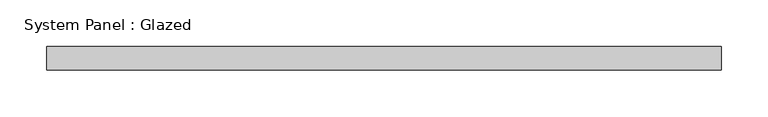
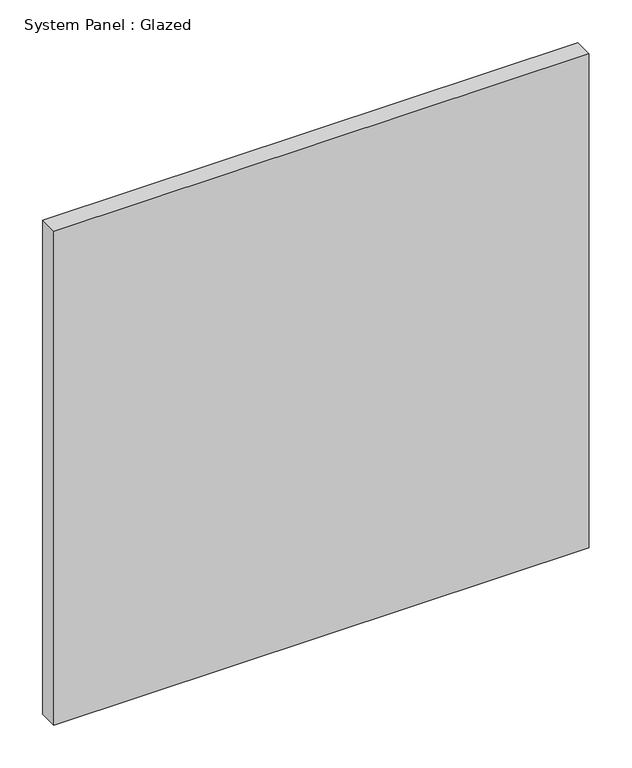
"""IFC4 building model written with IfcOpenShell, lengths in millimetres: plate geometry, System Panel : Glazed."""

import ifcopenshell
import ifcopenshell.guid

model = None  # the IFC model being written
_history = None  # IfcOwnerHistory: only IFC2X3 demands one
_inside = {}  # id of a spatial element -> (the spatial element, [elements in it])
_under = {}  # id of a project, library or spatial element -> (it, [spatial elements below it])
_declared = {}  # id of a project -> (the project, [libraries it declares])
_typed = {}  # id of a type object -> (the type object, [elements of that type])
_made_of = {}  # id of a material, layer set ... -> (it, [elements and type objects made of it])


def new_model(schema):
    """Start an empty IFC model of exactly this schema.

    Asked for "IFC4X3", IfcOpenShell would pick the latest addendum, in which some entities
    have other attributes; the version numbers below select the first issue.
    IFC2X3 requires an IfcOwnerHistory on every rooted entity: one is made here for all.
    """
    global model, _history
    if schema == "IFC4X3":
        model = ifcopenshell.file(schema_version=(4, 3, 0, 0))
    else:
        model = ifcopenshell.file(schema=schema)
    _inside.clear()
    _under.clear()
    _declared.clear()
    _typed.clear()
    _made_of.clear()
    _history = None
    if model.schema == "IFC2X3":
        org = make("IfcOrganization", Name="unknown")
        user = make(
            "IfcPersonAndOrganization",
            ThePerson=make("IfcPerson", FamilyName="unknown"),
            TheOrganization=org,
        )
        app = make(
            "IfcApplication",
            ApplicationDeveloper=org,
            Version="unknown",
            ApplicationFullName="unknown",
            ApplicationIdentifier="unknown",
        )
        _history = make(
            "IfcOwnerHistory",
            OwningUser=user,
            OwningApplication=app,
            ChangeAction="ADDED",
            CreationDate=0,
        )
    return model


def make(cls, **values):
    """One entity of the class cls with the attributes given. An attribute that is None is left unset."""
    return model.create_entity(
        cls, **{name: value for name, value in values.items() if value is not None}
    )


def rooted(cls, **values):
    """An entity with a GlobalId (a new one), such as an element, a storey or a relation."""
    return make(cls, GlobalId=ifcopenshell.guid.new(), OwnerHistory=_history, **values)


def si_unit(unit_type, name, prefix=None):
    """IfcSIUnit, for example si_unit("LENGTHUNIT", "METRE", prefix="MILLI")."""
    return make("IfcSIUnit", UnitType=unit_type, Prefix=prefix, Name=name)


def assignment(units):
    """IfcUnitAssignment: the units of a project."""
    return None if units is None else make("IfcUnitAssignment", Units=units)


def point(xyz):
    """IfcCartesianPoint."""
    return None if xyz is None else make("IfcCartesianPoint", Coordinates=xyz)


def direction(xyz):
    """IfcDirection."""
    return None if xyz is None else make("IfcDirection", DirectionRatios=xyz)


def frame(location, z_axis=None, x_axis=None):
    """IfcAxis2Placement3D, a coordinate frame: its origin and axes. An axis left out is left unset."""
    return make(
        "IfcAxis2Placement3D",
        Location=point(location),
        Axis=direction(z_axis),
        RefDirection=direction(x_axis),
    )


def origin():
    """The frame at (0, 0, 0) with its axes left unset."""
    return frame((0.0, 0.0, 0.0))


def origin_with_axes():
    """The frame at (0, 0, 0) with the z axis (0, 0, 1) and the x axis (1, 0, 0) written out."""
    return frame((0.0, 0.0, 0.0), z_axis=(0.0, 0.0, 1.0), x_axis=(1.0, 0.0, 0.0))


def place(relative_to, where):
    """IfcLocalPlacement: puts the frame where relative to a parent placement (None: the world)."""
    return make(
        "IfcLocalPlacement", PlacementRelTo=relative_to, RelativePlacement=where
    )


def context(
    kind, dimensions, precision=None, world=None, true_north=None, identifier=None
):
    """IfcGeometricRepresentationContext, for example the 3D "Model" context."""
    return make(
        "IfcGeometricRepresentationContext",
        ContextIdentifier=identifier,
        ContextType=kind,
        CoordinateSpaceDimension=dimensions,
        Precision=precision,
        WorldCoordinateSystem=world,
        TrueNorth=true_north,
    )


def project(units=None, contexts=None):
    """IfcProject with its units and contexts."""
    return rooted(
        "IfcProject",
        Name="project",
        RepresentationContexts=contexts,
        UnitsInContext=assignment(units),
    )


def spatial(cls, under=None, at=None, **own):
    """A site, building, storey or space (cls), placed at a placement, below another one or the project."""
    s = rooted(cls, ObjectPlacement=at, **own)
    if under is not None:
        _under.setdefault(under.id(), (under, []))[1].append(s)
    return s


def polyline(points):
    """IfcPolyline through the points."""
    return make("IfcPolyline", Points=[point(p) for p in points])


def outline(outer, holes=None, kind="AREA"):
    """IfcArbitraryClosedProfileDef: a profile drawn as a closed curve; with holes, ...WithVoids."""
    if holes is None:
        return make("IfcArbitraryClosedProfileDef", ProfileType=kind, OuterCurve=outer)
    return make(
        "IfcArbitraryProfileDefWithVoids",
        ProfileType=kind,
        OuterCurve=outer,
        InnerCurves=holes,
    )


def extrude(swept, where, along, depth):
    """IfcExtrudedAreaSolid: the profile swept, set in the frame where, extruded along a direction by depth."""
    return make(
        "IfcExtrudedAreaSolid",
        SweptArea=swept,
        Position=where,
        ExtrudedDirection=direction(along),
        Depth=depth,
    )


def shape(context_of_items, identifier, shape_type, items):
    """IfcShapeRepresentation: the items that make up one representation, for example the "Body"."""
    return make(
        "IfcShapeRepresentation",
        ContextOfItems=context_of_items,
        RepresentationIdentifier=identifier,
        RepresentationType=shape_type,
        Items=items,
    )


def source(mapping_origin, context_of_items, identifier, shape_type, items):
    """IfcRepresentationMap: a shape defined once, which mapped items show again and again."""
    return make(
        "IfcRepresentationMap",
        MappingOrigin=mapping_origin,
        MappedRepresentation=shape(context_of_items, identifier, shape_type, items),
    )


def transform(
    local_origin,
    x_axis=None,
    y_axis=None,
    z_axis=None,
    scale=None,
    scale2=None,
    scale3=None,
    uniform=True,
):
    """IfcCartesianTransformationOperator3D, or its non-uniform kind. x_axis, y_axis, z_axis: its Axis1, 2, 3."""
    if uniform:
        return make(
            "IfcCartesianTransformationOperator3D",
            Axis1=direction(x_axis),
            Axis2=direction(y_axis),
            LocalOrigin=point(local_origin),
            Scale=scale,
            Axis3=direction(z_axis),
        )
    return make(
        "IfcCartesianTransformationOperator3DnonUniform",
        Axis1=direction(x_axis),
        Axis2=direction(y_axis),
        LocalOrigin=point(local_origin),
        Scale=scale,
        Axis3=direction(z_axis),
        Scale2=scale2,
        Scale3=scale3,
    )


def mapped(mapping_source, mapping_target):
    """IfcMappedItem: shows the shape of a source again, moved by a transform."""
    return make(
        "IfcMappedItem", MappingSource=mapping_source, MappingTarget=mapping_target
    )


def made_of(thing, what):
    """Note that an element or type object is made of a material, layer set ...; save() writes the relation."""
    if what is not None:
        _made_of.setdefault(what.id(), (what, []))[1].append(thing)
    return thing


def element(
    cls,
    number,
    at=None,
    inside=None,
    cuts=None,
    type_object=None,
    material=None,
    context=None,
    identifier="Body",
    shape_type=None,
    held_by="IfcProductDefinitionShape",
    body=None,
    shapes=None,
    **own,
):
    """One element of the class cls, such as IfcWall. Its Tag is "e" and its number.

    at: its placement. inside: the storey or other place that contains it. cuts: it is an
    opening in that element (IfcRelVoidsElement). A single representation is given by context,
    identifier, shape_type and body (its items); several are given by shapes. held_by: the class
    of the entity that holds the representations. save() writes the other relations.
    """
    e = rooted(cls, Tag="e%d" % number, ObjectPlacement=at, **own)
    if body is not None:
        shapes = [shape(context, identifier, shape_type, body)]
    if shapes is not None:
        e.Representation = make(held_by, Representations=shapes)
    if inside is not None:
        _inside.setdefault(inside.id(), (inside, []))[1].append(e)
    if cuts is not None:
        rooted(
            "IfcRelVoidsElement", RelatingBuildingElement=cuts, RelatedOpeningElement=e
        )
    if type_object is not None:
        _typed.setdefault(type_object.id(), (type_object, []))[1].append(e)
    return made_of(e, material)


def aggregate(whole, parts):
    """IfcRelAggregates: a whole, such as a stair, and the parts it consists of."""
    return rooted("IfcRelAggregates", RelatingObject=whole, RelatedObjects=parts)


def save(model, path):
    """Write the relations noted so far, then the file.

    IfcRelAggregates (storeys below a building ...), IfcRelContainedInSpatialStructure (elements
    in a storey), IfcRelDefinesByType, IfcRelAssociatesMaterial and IfcRelDeclares: one each for
    every whole, place, type object, material and project.
    """
    for whole, parts in _under.values():
        aggregate(whole, parts)
    for where, things in _inside.values():
        rooted(
            "IfcRelContainedInSpatialStructure",
            RelatedElements=things,
            RelatingStructure=where,
        )
    for kind, things in _typed.values():
        rooted("IfcRelDefinesByType", RelatedObjects=things, RelatingType=kind)
    for what, things in _made_of.values():
        rooted("IfcRelAssociatesMaterial", RelatedObjects=things, RelatingMaterial=what)
    for by, libraries in _declared.values():
        rooted("IfcRelDeclares", RelatingContext=by, RelatedDefinitions=libraries)
    model.write(path)


def system_panel_glazed_ac7d8885(model_context):
    return source(origin(), model_context, "Body", "SweptSolid", [
        extrude(outline(polyline([(361.2, -88.9), (-361.2, -88.9), (-361.2, -63.5), (361.2, -63.5), (361.2, -88.9)])), origin_with_axes(), (0.0, 0.0, 1.0), 704.6),
    ])


if __name__ == "__main__":
    model = new_model("IFC4")
    model_context = context("Model", 3, world=origin())
    ifc_project = project(units=[si_unit("LENGTHUNIT", "METRE", prefix="MILLI")], contexts=[model_context])
    site = spatial("IfcSite", under=ifc_project)
    building = spatial("IfcBuilding", under=site)
    placement = place(None, origin())
    system_panel_glazed_shape = system_panel_glazed_ac7d8885(model_context)
    element("IfcPlate", 1, ObjectType="System Panel : Glazed", at=placement, inside=building, context=model_context, shape_type="MappedRepresentation", body=[
        mapped(system_panel_glazed_shape, transform((0.0, 0.0, 0.0), x_axis=(1.0, 0.0, 0.0), y_axis=(0.0, 1.0, 0.0), z_axis=(0.0, 0.0, 1.0))),
    ])
    save(model, "model.ifc")
